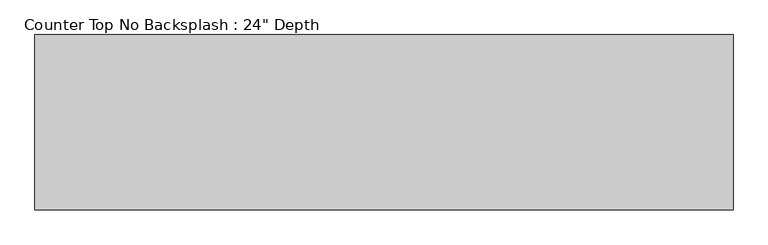
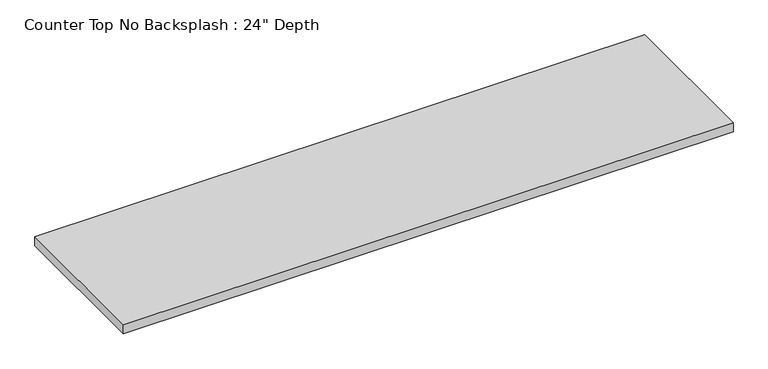
"""IFC4 building model written with IfcOpenShell, lengths in millimetres: furniture geometry."""

import ifcopenshell
import ifcopenshell.guid

model = None  # the IFC model being written
_history = None  # IfcOwnerHistory: only IFC2X3 demands one
_inside = {}  # id of a spatial element -> (the spatial element, [elements in it])
_under = {}  # id of a project, library or spatial element -> (it, [spatial elements below it])
_declared = {}  # id of a project -> (the project, [libraries it declares])
_typed = {}  # id of a type object -> (the type object, [elements of that type])
_made_of = {}  # id of a material, layer set ... -> (it, [elements and type objects made of it])


def new_model(schema):
    """Start an empty IFC model of exactly this schema.

    Asked for "IFC4X3", IfcOpenShell would pick the latest addendum, in which some entities
    have other attributes; the version numbers below select the first issue.
    IFC2X3 requires an IfcOwnerHistory on every rooted entity: one is made here for all.
    """
    global model, _history
    if schema == "IFC4X3":
        model = ifcopenshell.file(schema_version=(4, 3, 0, 0))
    else:
        model = ifcopenshell.file(schema=schema)
    _inside.clear()
    _under.clear()
    _declared.clear()
    _typed.clear()
    _made_of.clear()
    _history = None
    if model.schema == "IFC2X3":
        org = make("IfcOrganization", Name="unknown")
        user = make(
            "IfcPersonAndOrganization",
            ThePerson=make("IfcPerson", FamilyName="unknown"),
            TheOrganization=org,
        )
        app = make(
            "IfcApplication",
            ApplicationDeveloper=org,
            Version="unknown",
            ApplicationFullName="unknown",
            ApplicationIdentifier="unknown",
        )
        _history = make(
            "IfcOwnerHistory",
            OwningUser=user,
            OwningApplication=app,
            ChangeAction="ADDED",
            CreationDate=0,
        )
    return model


def make(cls, **values):
    """One entity of the class cls with the attributes given. An attribute that is None is left unset."""
    return model.create_entity(
        cls, **{name: value for name, value in values.items() if value is not None}
    )


def rooted(cls, **values):
    """An entity with a GlobalId (a new one), such as an element, a storey or a relation."""
    return make(cls, GlobalId=ifcopenshell.guid.new(), OwnerHistory=_history, **values)


def si_unit(unit_type, name, prefix=None):
    """IfcSIUnit, for example si_unit("LENGTHUNIT", "METRE", prefix="MILLI")."""
    return make("IfcSIUnit", UnitType=unit_type, Prefix=prefix, Name=name)


def assignment(units):
    """IfcUnitAssignment: the units of a project."""
    return None if units is None else make("IfcUnitAssignment", Units=units)


def point(xyz):
    """IfcCartesianPoint."""
    return None if xyz is None else make("IfcCartesianPoint", Coordinates=xyz)


def direction(xyz):
    """IfcDirection."""
    return None if xyz is None else make("IfcDirection", DirectionRatios=xyz)


def frame(location, z_axis=None, x_axis=None):
    """IfcAxis2Placement3D, a coordinate frame: its origin and axes. An axis left out is left unset."""
    return make(
        "IfcAxis2Placement3D",
        Location=point(location),
        Axis=direction(z_axis),
        RefDirection=direction(x_axis),
    )


def origin():
    """The frame at (0, 0, 0) with its axes left unset."""
    return frame((0.0, 0.0, 0.0))


def place(relative_to, where):
    """IfcLocalPlacement: puts the frame where relative to a parent placement (None: the world)."""
    return make(
        "IfcLocalPlacement", PlacementRelTo=relative_to, RelativePlacement=where
    )


def context(
    kind, dimensions, precision=None, world=None, true_north=None, identifier=None
):
    """IfcGeometricRepresentationContext, for example the 3D "Model" context."""
    return make(
        "IfcGeometricRepresentationContext",
        ContextIdentifier=identifier,
        ContextType=kind,
        CoordinateSpaceDimension=dimensions,
        Precision=precision,
        WorldCoordinateSystem=world,
        TrueNorth=true_north,
    )


def project(units=None, contexts=None):
    """IfcProject with its units and contexts."""
    return rooted(
        "IfcProject",
        Name="project",
        RepresentationContexts=contexts,
        UnitsInContext=assignment(units),
    )


def spatial(cls, under=None, at=None, **own):
    """A site, building, storey or space (cls), placed at a placement, below another one or the project."""
    s = rooted(cls, ObjectPlacement=at, **own)
    if under is not None:
        _under.setdefault(under.id(), (under, []))[1].append(s)
    return s


def polyline(points):
    """IfcPolyline through the points."""
    return make("IfcPolyline", Points=[point(p) for p in points])


def outline(outer, holes=None, kind="AREA"):
    """IfcArbitraryClosedProfileDef: a profile drawn as a closed curve; with holes, ...WithVoids."""
    if holes is None:
        return make("IfcArbitraryClosedProfileDef", ProfileType=kind, OuterCurve=outer)
    return make(
        "IfcArbitraryProfileDefWithVoids",
        ProfileType=kind,
        OuterCurve=outer,
        InnerCurves=holes,
    )


def extrude(swept, where, along, depth):
    """IfcExtrudedAreaSolid: the profile swept, set in the frame where, extruded along a direction by depth."""
    return make(
        "IfcExtrudedAreaSolid",
        SweptArea=swept,
        Position=where,
        ExtrudedDirection=direction(along),
        Depth=depth,
    )


def shape(context_of_items, identifier, shape_type, items):
    """IfcShapeRepresentation: the items that make up one representation, for example the "Body"."""
    return make(
        "IfcShapeRepresentation",
        ContextOfItems=context_of_items,
        RepresentationIdentifier=identifier,
        RepresentationType=shape_type,
        Items=items,
    )


def source(mapping_origin, context_of_items, identifier, shape_type, items):
    """IfcRepresentationMap: a shape defined once, which mapped items show again and again."""
    return make(
        "IfcRepresentationMap",
        MappingOrigin=mapping_origin,
        MappedRepresentation=shape(context_of_items, identifier, shape_type, items),
    )


def transform(
    local_origin,
    x_axis=None,
    y_axis=None,
    z_axis=None,
    scale=None,
    scale2=None,
    scale3=None,
    uniform=True,
):
    """IfcCartesianTransformationOperator3D, or its non-uniform kind. x_axis, y_axis, z_axis: its Axis1, 2, 3."""
    if uniform:
        return make(
            "IfcCartesianTransformationOperator3D",
            Axis1=direction(x_axis),
            Axis2=direction(y_axis),
            LocalOrigin=point(local_origin),
            Scale=scale,
            Axis3=direction(z_axis),
        )
    return make(
        "IfcCartesianTransformationOperator3DnonUniform",
        Axis1=direction(x_axis),
        Axis2=direction(y_axis),
        LocalOrigin=point(local_origin),
        Scale=scale,
        Axis3=direction(z_axis),
        Scale2=scale2,
        Scale3=scale3,
    )


def mapped(mapping_source, mapping_target):
    """IfcMappedItem: shows the shape of a source again, moved by a transform."""
    return make(
        "IfcMappedItem", MappingSource=mapping_source, MappingTarget=mapping_target
    )


def made_of(thing, what):
    """Note that an element or type object is made of a material, layer set ...; save() writes the relation."""
    if what is not None:
        _made_of.setdefault(what.id(), (what, []))[1].append(thing)
    return thing


def element(
    cls,
    number,
    at=None,
    inside=None,
    cuts=None,
    type_object=None,
    material=None,
    context=None,
    identifier="Body",
    shape_type=None,
    held_by="IfcProductDefinitionShape",
    body=None,
    shapes=None,
    **own,
):
    """One element of the class cls, such as IfcWall. Its Tag is "e" and its number.

    at: its placement. inside: the storey or other place that contains it. cuts: it is an
    opening in that element (IfcRelVoidsElement). A single representation is given by context,
    identifier, shape_type and body (its items); several are given by shapes. held_by: the class
    of the entity that holds the representations. save() writes the other relations.
    """
    e = rooted(cls, Tag="e%d" % number, ObjectPlacement=at, **own)
    if body is not None:
        shapes = [shape(context, identifier, shape_type, body)]
    if shapes is not None:
        e.Representation = make(held_by, Representations=shapes)
    if inside is not None:
        _inside.setdefault(inside.id(), (inside, []))[1].append(e)
    if cuts is not None:
        rooted(
            "IfcRelVoidsElement", RelatingBuildingElement=cuts, RelatedOpeningElement=e
        )
    if type_object is not None:
        _typed.setdefault(type_object.id(), (type_object, []))[1].append(e)
    return made_of(e, material)


def aggregate(whole, parts):
    """IfcRelAggregates: a whole, such as a stair, and the parts it consists of."""
    return rooted("IfcRelAggregates", RelatingObject=whole, RelatedObjects=parts)


def save(model, path):
    """Write the relations noted so far, then the file.

    IfcRelAggregates (storeys below a building ...), IfcRelContainedInSpatialStructure (elements
    in a storey), IfcRelDefinesByType, IfcRelAssociatesMaterial and IfcRelDeclares: one each for
    every whole, place, type object, material and project.
    """
    for whole, parts in _under.values():
        aggregate(whole, parts)
    for where, things in _inside.values():
        rooted(
            "IfcRelContainedInSpatialStructure",
            RelatedElements=things,
            RelatingStructure=where,
        )
    for kind, things in _typed.values():
        rooted("IfcRelDefinesByType", RelatedObjects=things, RelatingType=kind)
    for what, things in _made_of.values():
        rooted("IfcRelAssociatesMaterial", RelatedObjects=things, RelatingMaterial=what)
    for by, libraries in _declared.values():
        rooted("IfcRelDeclares", RelatingContext=by, RelatedDefinitions=libraries)
    model.write(path)


def furniture_a1606698(model_context):
    return source(origin(), model_context, "Body", "SweptSolid", [
        extrude(outline(polyline([(1225.2377049, 0.0), (1225.2377049, -609.6), (-1200.4622951, -609.6), (-1200.4622951, 0.0), (1225.2377049, 0.0)])), frame((0.0, 0.0, 876.3), z_axis=(0.0, 0.0, 1.0), x_axis=(1.0, 0.0, 0.0)), (0.0, 0.0, 1.0), 38.1),
    ])


if __name__ == "__main__":
    model = new_model("IFC4")
    model_context = context("Model", 3, world=origin())
    ifc_project = project(units=[si_unit("LENGTHUNIT", "METRE", prefix="MILLI")], contexts=[model_context])
    site = spatial("IfcSite", under=ifc_project)
    building = spatial("IfcBuilding", under=site)
    placement = place(None, origin())
    furniture_shape = furniture_a1606698(model_context)
    element("IfcFurniture", 1, ObjectType="Counter Top No Backsplash : 24\" Depth", at=placement, inside=building, context=model_context, shape_type="MappedRepresentation", body=[
        mapped(furniture_shape, transform((0.0, 0.0, 0.0), x_axis=(1.0, 0.0, 0.0), y_axis=(0.0, 1.0, 0.0), z_axis=(0.0, 0.0, 1.0))),
    ])
    save(model, "model.ifc")
